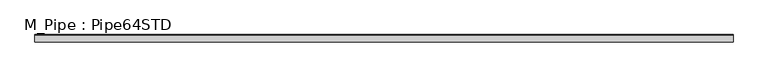
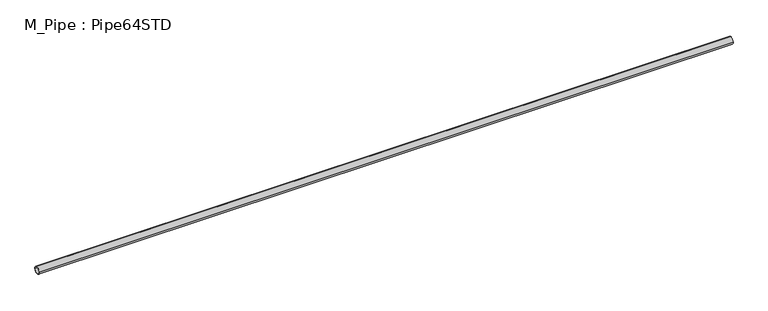
"""IFC4 building model written with IfcOpenShell, lengths in millimetres: beam geometry, M_Pipe : Pipe64STD."""

from ifc_helpers import new_model, si_unit, point, frame, origin, origin_2d, place, context, project, spatial, circle_curve, trimmed, segment, composite_curve, outline, extrude, source, transform, mapped, element, save


def m_pipe_pipe64std_2c6e8b6e(model_context):
    return source(origin(), model_context, "Body", "SweptSolid", [
        extrude(outline(composite_curve([segment(trimmed(circle_curve(origin_2d(), 36.6), [point((-36.6, 0.0))], [point((36.6, 0.0))], False, "CARTESIAN"), True, "CONTINUOUS"), segment(trimmed(circle_curve(origin_2d(), 36.6), [point((36.6, 0.0))], [point((-36.6, 0.0))], False, "CARTESIAN"), True, "CONTINUOUS")], self_intersect=False), holes=[composite_curve([segment(trimmed(circle_curve(origin_2d(), 31.44), [point((31.44, 0.0))], [point((-31.44, 0.0))], True, "CARTESIAN"), True, "CONTINUOUS"), segment(trimmed(circle_curve(origin_2d(), 31.44), [point((-31.44, 0.0))], [point((31.44, 0.0))], True, "CARTESIAN"), True, "CONTINUOUS")], self_intersect=False)]), frame((-3535.5, 0.0, 0.0), z_axis=(1.0, 0.0, 0.0), x_axis=(0.0, 1.0, 0.0)), (0.0, 0.0, 1.0), 7071.0),
    ])


if __name__ == "__main__":
    model = new_model("IFC4")
    model_context = context("Model", 3, world=origin())
    ifc_project = project(units=[si_unit("LENGTHUNIT", "METRE", prefix="MILLI")], contexts=[model_context])
    site = spatial("IfcSite", under=ifc_project)
    building = spatial("IfcBuilding", under=site)
    placement = place(None, origin())
    m_pipe_pipe64std_shape = m_pipe_pipe64std_2c6e8b6e(model_context)
    element("IfcBeam", 1, ObjectType="M_Pipe : Pipe64STD", at=placement, inside=building, context=model_context, shape_type="MappedRepresentation", body=[
        mapped(m_pipe_pipe64std_shape, transform((0.0, 0.0, 0.0), x_axis=(1.0, 0.0, 0.0), y_axis=(0.0, 1.0, 0.0), z_axis=(0.0, 0.0, 1.0))),
    ])
    save(model, "model.ifc")
